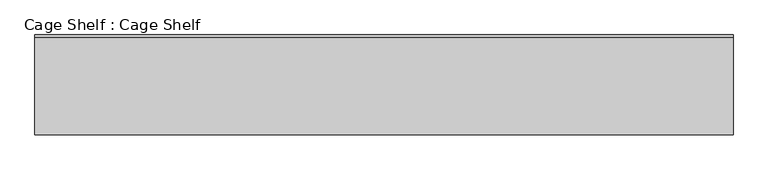
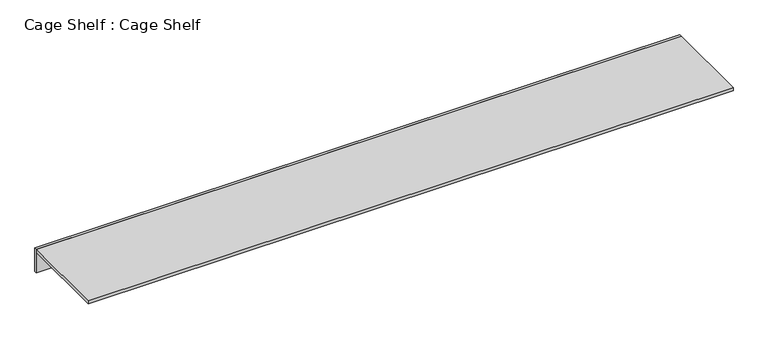
"""IFC4 building model written with IfcOpenShell, lengths in millimetres: furniture geometry, Cage Shelf : Cage Shelf."""

from ifc_helpers import new_model, si_unit, frame, origin, origin_with_axes, place, context, project, spatial, polyline, outline, extrude, source, transform, mapped, element, save


def cage_shelf_cage_shelf_4a4499e0(model_context):
    return source(origin(), model_context, "Body", "SweptSolid", [
        extrude(outline(polyline([(2667.0, 812.8), (2667.0, 793.75), (-2667.0, 793.75), (-2667.0, 812.8), (2667.0, 812.8)])), origin_with_axes(), (0.0, 0.0, 1.0), 203.2),
        extrude(outline(polyline([(2667.0, 793.75), (2667.0, 50.8), (-2667.0, 50.8), (-2667.0, 793.75), (2667.0, 793.75)])), frame((0.0, 0.0, 177.8), z_axis=(0.0, 0.0, 1.0), x_axis=(1.0, 0.0, 0.0)), (0.0, 0.0, 1.0), 25.4),
    ])


if __name__ == "__main__":
    model = new_model("IFC4")
    model_context = context("Model", 3, world=origin())
    ifc_project = project(units=[si_unit("LENGTHUNIT", "METRE", prefix="MILLI")], contexts=[model_context])
    site = spatial("IfcSite", under=ifc_project)
    building = spatial("IfcBuilding", under=site)
    placement = place(None, origin())
    cage_shelf_cage_shelf_shape = cage_shelf_cage_shelf_4a4499e0(model_context)
    element("IfcFurniture", 1, ObjectType="Cage Shelf : Cage Shelf", at=placement, inside=building, context=model_context, shape_type="MappedRepresentation", body=[
        mapped(cage_shelf_cage_shelf_shape, transform((0.0, 0.0, 0.0), x_axis=(1.0, 0.0, 0.0), y_axis=(0.0, 1.0, 0.0), z_axis=(0.0, 0.0, 1.0))),
    ])
    save(model, "model.ifc")
